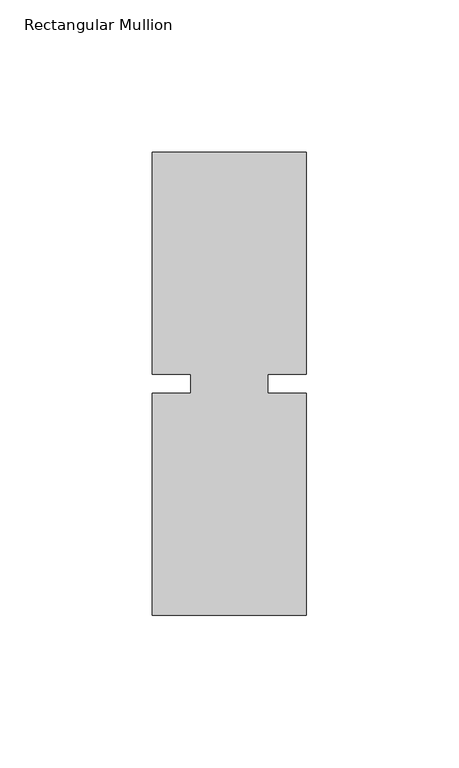
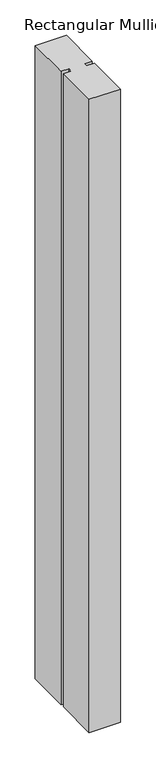
"""IFC4 building model written with IfcOpenShell, lengths in millimetres: member geometry, Rectangular Mullion."""

from ifc_helpers import new_model, si_unit, frame, origin, place, context, project, spatial, polyline, outline, extrude, source, transform, mapped, element, save


def rectangular_mullion_8582d453(model_context):
    return source(origin(), model_context, "Body", "SweptSolid", [
        extrude(outline(polyline([(29.7344027, 76.2), (29.7344027, 3.175), (17.0326322, 3.175), (17.0326322, -3.175), (29.7344027, -3.175), (29.7344027, -76.2), (-21.0655973, -76.2), (-21.0655973, -3.175), (-8.3655973, -3.175), (-8.3655973, 3.175), (-21.0655973, 3.175), (-21.0655973, 76.2), (29.7344027, 76.2)])), frame((0.0, 0.0, -1091.0405973), z_axis=(0.0, 0.0, 1.0), x_axis=(1.0, 0.0, 0.0)), (0.0, 0.0, 1.0), 1091.0405973),
    ])


if __name__ == "__main__":
    model = new_model("IFC4")
    model_context = context("Model", 3, world=origin())
    ifc_project = project(units=[si_unit("LENGTHUNIT", "METRE", prefix="MILLI")], contexts=[model_context])
    site = spatial("IfcSite", under=ifc_project)
    building = spatial("IfcBuilding", under=site)
    placement = place(None, origin())
    rectangular_mullion_shape = rectangular_mullion_8582d453(model_context)
    element("IfcMember", 1, ObjectType="Rectangular Mullion", at=placement, inside=building, context=model_context, shape_type="MappedRepresentation", body=[
        mapped(rectangular_mullion_shape, transform((0.0, 0.0, 0.0), x_axis=(1.0, 0.0, 0.0), y_axis=(0.0, 1.0, 0.0), z_axis=(0.0, 0.0, 1.0))),
    ])
    save(model, "model.ifc")
